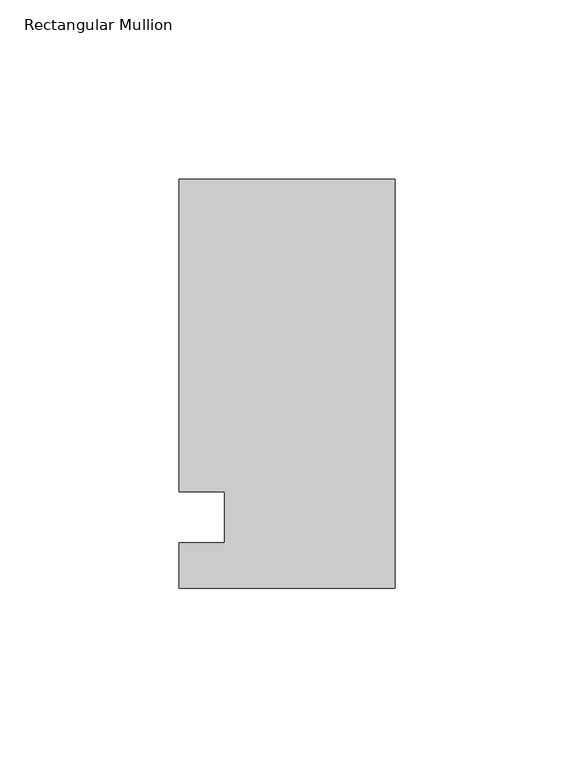
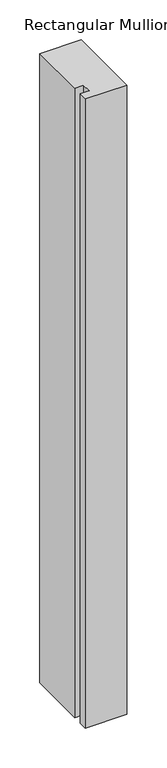
"""IFC4 building model written with IfcOpenShell, lengths in millimetres: member geometry, Rectangular Mullion."""

from ifc_helpers import new_model, si_unit, frame, origin, place, context, project, spatial, polyline, outline, extrude, source, transform, mapped, element, save


def rectangular_mullion_e7c47889(model_context):
    return source(origin(), model_context, "Body", "SweptSolid", [
        extrude(outline(polyline([(-60.325, 94.45625), (0.0, 94.45625), (0.0, -19.84375), (-60.325, -19.84375), (-60.325, -7.14375), (-47.625, -7.14375), (-47.625, 7.14375), (-60.325, 7.14375), (-60.325, 94.45625)])), frame((0.0, 0.0, -965.2), z_axis=(0.0, 0.0, 1.0), x_axis=(1.0, 0.0, 0.0)), (0.0, 0.0, 1.0), 965.2),
    ])


if __name__ == "__main__":
    model = new_model("IFC4")
    model_context = context("Model", 3, world=origin())
    ifc_project = project(units=[si_unit("LENGTHUNIT", "METRE", prefix="MILLI")], contexts=[model_context])
    site = spatial("IfcSite", under=ifc_project)
    building = spatial("IfcBuilding", under=site)
    placement = place(None, origin())
    rectangular_mullion_shape = rectangular_mullion_e7c47889(model_context)
    element("IfcMember", 1, ObjectType="Rectangular Mullion", at=placement, inside=building, context=model_context, shape_type="MappedRepresentation", body=[
        mapped(rectangular_mullion_shape, transform((0.0, 0.0, 0.0), x_axis=(1.0, 0.0, 0.0), y_axis=(0.0, 1.0, 0.0), z_axis=(0.0, 0.0, 1.0))),
    ])
    save(model, "model.ifc")
